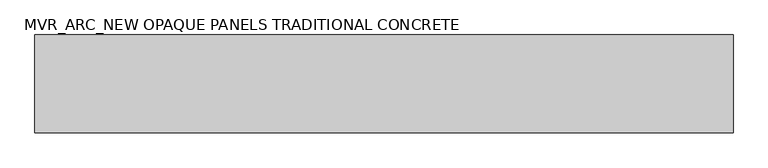
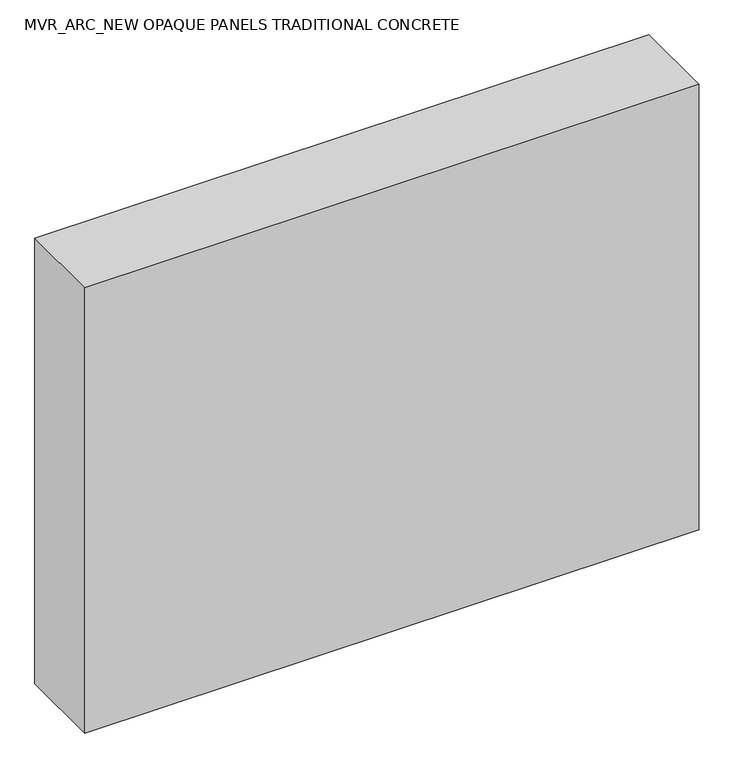
"""IFC4 building model written with IfcOpenShell, lengths in millimetres: plate geometry, MVR_ARC_NEW OPAQUE PANELS TRADITIONAL CONCRETE."""

from ifc_helpers import new_model, si_unit, origin, origin_with_axes, place, context, project, spatial, polyline, outline, extrude, source, transform, mapped, element, save


def mvr_arc_new_opaque_panels_traditional_concrete_6f4007c4(model_context):
    return source(origin(), model_context, "Body", "SweptSolid", [
        extrude(outline(polyline([(747.6308134, -150.0), (-747.6308134, -150.0), (-747.6308134, 60.0), (747.6308134, 60.0), (747.6308134, -150.0)])), origin_with_axes(), (0.0, 0.0, 1.0), 1145.6000001),
    ])


if __name__ == "__main__":
    model = new_model("IFC4")
    model_context = context("Model", 3, world=origin())
    ifc_project = project(units=[si_unit("LENGTHUNIT", "METRE", prefix="MILLI")], contexts=[model_context])
    site = spatial("IfcSite", under=ifc_project)
    building = spatial("IfcBuilding", under=site)
    placement = place(None, origin())
    mvr_arc_new_opaque_panels_traditional_concrete_shape = mvr_arc_new_opaque_panels_traditional_concrete_6f4007c4(model_context)
    element("IfcPlate", 1, ObjectType="MVR_ARC_NEW OPAQUE PANELS TRADITIONAL CONCRETE", at=placement, inside=building, context=model_context, shape_type="MappedRepresentation", body=[
        mapped(mvr_arc_new_opaque_panels_traditional_concrete_shape, transform((0.0, 0.0, 0.0), x_axis=(1.0, 0.0, 0.0), y_axis=(0.0, 1.0, 0.0), z_axis=(0.0, 0.0, 1.0))),
    ])
    save(model, "model.ifc")
